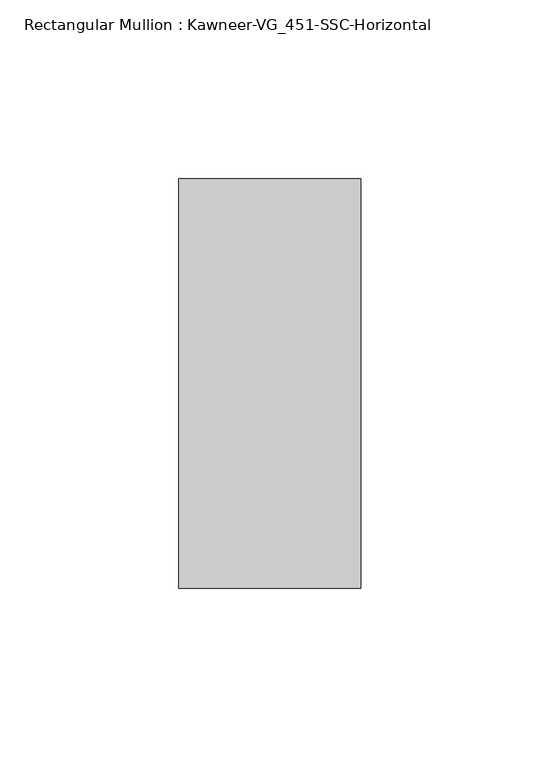
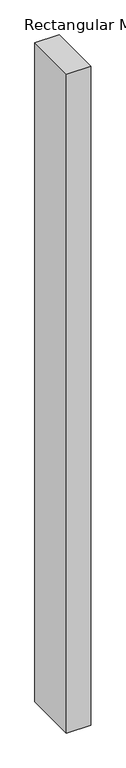
"""IFC4 building model written with IfcOpenShell, lengths in millimetres: member geometry, Rectangular Mullion : Kawneer-VG_451-SSC-Horizontal."""

from ifc_helpers import new_model, si_unit, frame, origin, place, context, project, spatial, polyline, outline, extrude, source, transform, mapped, element, save


def rectangular_mullion_kawneer_vg_451_ssc_horizontal_911dba1e(model_context):
    return source(origin(), model_context, "Body", "SweptSolid", [
        extrude(outline(polyline([(25.4, 57.15), (25.4, -57.15), (-25.4, -57.15), (-25.4, 57.15), (25.4, 57.15)])), frame((0.0, 0.0, -1458.9125), z_axis=(0.0, 0.0, 1.0), x_axis=(1.0, 0.0, 0.0)), (0.0, 0.0, 1.0), 1458.9125),
    ])


if __name__ == "__main__":
    model = new_model("IFC4")
    model_context = context("Model", 3, world=origin())
    ifc_project = project(units=[si_unit("LENGTHUNIT", "METRE", prefix="MILLI")], contexts=[model_context])
    site = spatial("IfcSite", under=ifc_project)
    building = spatial("IfcBuilding", under=site)
    placement = place(None, origin())
    rectangular_mullion_kawneer_vg_451_ssc_horizontal_shape = rectangular_mullion_kawneer_vg_451_ssc_horizontal_911dba1e(model_context)
    element("IfcMember", 1, ObjectType="Rectangular Mullion : Kawneer-VG_451-SSC-Horizontal", at=placement, inside=building, context=model_context, shape_type="MappedRepresentation", body=[
        mapped(rectangular_mullion_kawneer_vg_451_ssc_horizontal_shape, transform((0.0, 0.0, 0.0), x_axis=(1.0, 0.0, 0.0), y_axis=(0.0, 1.0, 0.0), z_axis=(0.0, 0.0, 1.0))),
    ])
    save(model, "model.ifc")
